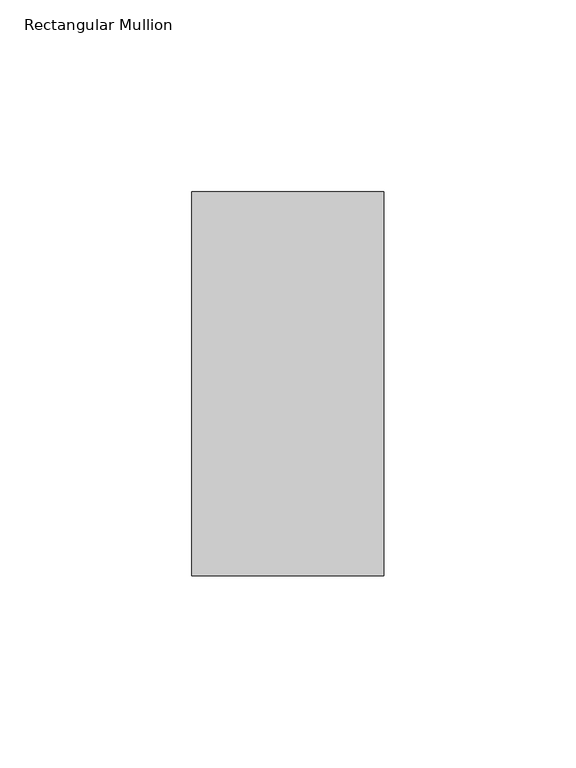
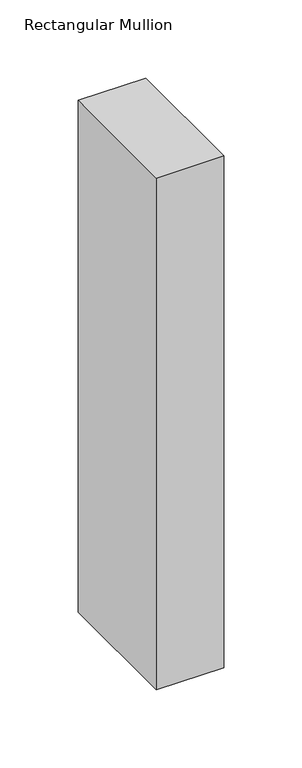
"""IFC4 building model written with IfcOpenShell, lengths in millimetres: member geometry, Rectangular Mullion."""

from ifc_helpers import new_model, si_unit, frame, origin, place, context, project, spatial, polyline, outline, extrude, source, transform, mapped, element, save


def rectangular_mullion_3693db79(model_context):
    return source(origin(), model_context, "Body", "SweptSolid", [
        extrude(outline(polyline([(0.0, 69.0), (0.0, -31.0), (-50.0, -31.0), (-50.0, 69.0), (0.0, 69.0)])), frame((0.0, 0.0, -400.0), z_axis=(0.0, 0.0, 1.0), x_axis=(1.0, 0.0, 0.0)), (0.0, 0.0, 1.0), 400.0),
    ])


if __name__ == "__main__":
    model = new_model("IFC4")
    model_context = context("Model", 3, world=origin())
    ifc_project = project(units=[si_unit("LENGTHUNIT", "METRE", prefix="MILLI")], contexts=[model_context])
    site = spatial("IfcSite", under=ifc_project)
    building = spatial("IfcBuilding", under=site)
    placement = place(None, origin())
    rectangular_mullion_shape = rectangular_mullion_3693db79(model_context)
    element("IfcMember", 1, ObjectType="Rectangular Mullion", at=placement, inside=building, context=model_context, shape_type="MappedRepresentation", body=[
        mapped(rectangular_mullion_shape, transform((0.0, 0.0, 0.0), x_axis=(1.0, 0.0, 0.0), y_axis=(0.0, 1.0, 0.0), z_axis=(0.0, 0.0, 1.0))),
    ])
    save(model, "model.ifc")
